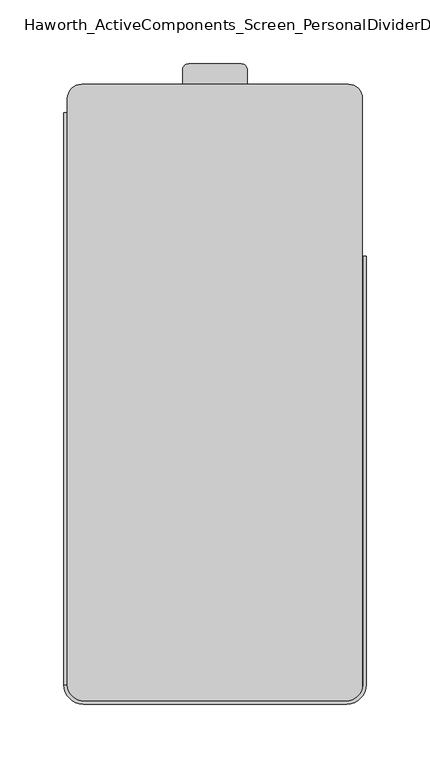
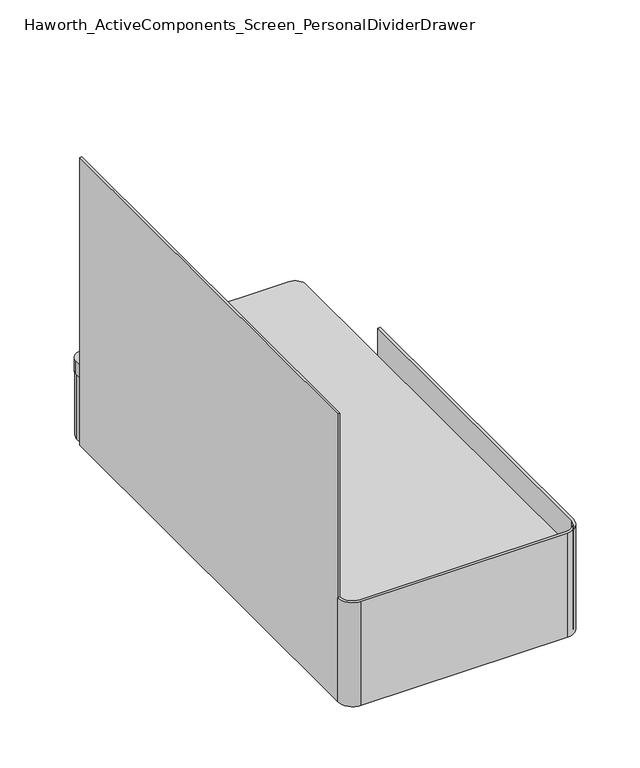
"""IFC4 building model written with IfcOpenShell, lengths in millimetres: furniture geometry, Haworth_ActiveComponents_Screen_PersonalDividerDrawer."""

from ifc_helpers import new_model, si_unit, point, frame, frame_2d, origin, place, context, project, spatial, polyline, circle_curve, trimmed, segment, composite_curve, outline, extrude, source, transform, mapped, element, save


def haworth_activecomponents_screen_personaldividerdrawer_b7ea0087(model_context):
    return source(origin(), model_context, "Body", "SweptSolid", [
        extrude(outline(composite_curve([segment(polyline([(-1013.2735768, 1112.6701933), (-1221.8202851, 1112.6701933)]), True, "CONTINUOUS"), segment(trimmed(circle_curve(frame_2d((-1221.8202851, 1123.7826933)), 11.1125), [point((-1221.8202851, 1112.6701933))], [point((-1232.9327851, 1123.7826933))], False, "CARTESIAN"), True, "CONTINUOUS"), segment(polyline([(-1232.9327851, 1123.7826933), (-1232.9327851, 1584.1576816)]), True, "CONTINUOUS"), segment(trimmed(circle_curve(frame_2d((-1221.8202851, 1584.1576816)), 11.1125), [point((-1232.9327851, 1584.1576816))], [point((-1221.8202851, 1595.2701816))], False, "CARTESIAN"), True, "CONTINUOUS"), segment(polyline([(-1221.8202851, 1595.2701816), (-1013.2735768, 1595.2701816)]), True, "CONTINUOUS"), segment(trimmed(circle_curve(frame_2d((-1013.2735768, 1584.1576816)), 11.1125), [point((-1013.2735768, 1595.2701816))], [point((-1002.1610768, 1584.1576816))], False, "CARTESIAN"), True, "CONTINUOUS"), segment(polyline([(-1002.1610768, 1584.1576816), (-1002.1610768, 1123.7826933)]), True, "CONTINUOUS"), segment(trimmed(circle_curve(frame_2d((-1013.2735768, 1123.7826933)), 11.1125), [point((-1002.1610768, 1123.7826933))], [point((-1013.2735768, 1112.6701933))], False, "CARTESIAN"), True, "CONTINUOUS")], self_intersect=False)), frame((0.0, 0.0, 806.9072153), z_axis=(0.0, 0.0, 1.0), x_axis=(1.0, 0.0, 0.0)), (0.0, 0.0, 1.0), 13.6905888),
        extrude(outline(composite_curve([segment(polyline([(-1092.1405636, 1595.2701816), (-1142.9532824, 1595.2701816), (-1142.9532824, 1606.3699764)]), True, "CONTINUOUS"), segment(trimmed(circle_curve(frame_2d((-1138.1780651, 1606.3699764)), 4.7752172), [point((-1142.9532824, 1606.3699764))], [point((-1138.1780651, 1611.1451937))], False, "CARTESIAN"), True, "CONTINUOUS"), segment(polyline([(-1138.1780651, 1611.1451937), (-1096.9157809, 1611.1451937)]), True, "CONTINUOUS"), segment(trimmed(circle_curve(frame_2d((-1096.9157809, 1606.3699764)), 4.7752172), [point((-1096.9157809, 1611.1451937))], [point((-1092.1405636, 1606.3699764))], False, "CARTESIAN"), True, "CONTINUOUS"), segment(polyline([(-1092.1405636, 1606.3699764), (-1092.1405636, 1595.2701816)]), True, "CONTINUOUS")], self_intersect=False)), frame((0.0, 0.0, 804.7236277), z_axis=(0.0, 0.0, 1.0), x_axis=(1.0, 0.0, 0.0)), (0.0, 0.0, 1.0), 1.5993937),
        extrude(outline(composite_curve([segment(polyline([(-1014.8737781, 1114.2576933), (-1220.2200838, 1114.2576933)]), True, "CONTINUOUS"), segment(trimmed(circle_curve(frame_2d((-1220.2200838, 1125.3701933)), 11.1125), [point((-1220.2200838, 1114.2576933))], [point((-1231.3325838, 1125.3701933))], False, "CARTESIAN"), True, "CONTINUOUS"), segment(polyline([(-1231.3325838, 1125.3701933), (-1231.3325838, 1580.9826816)]), True, "CONTINUOUS"), segment(trimmed(circle_curve(frame_2d((-1220.2200838, 1580.9826816)), 11.1125), [point((-1231.3325838, 1580.9826816))], [point((-1220.2200838, 1592.0951816))], False, "CARTESIAN"), True, "CONTINUOUS"), segment(polyline([(-1220.2200838, 1592.0951816), (-1014.8737781, 1592.0951816)]), True, "CONTINUOUS"), segment(trimmed(circle_curve(frame_2d((-1014.8737781, 1580.9826816)), 11.1125), [point((-1014.8737781, 1592.0951816))], [point((-1003.7612781, 1580.9826816))], False, "CARTESIAN"), True, "CONTINUOUS"), segment(polyline([(-1003.7612781, 1580.9826816), (-1003.7612781, 1125.3701933)]), True, "CONTINUOUS"), segment(trimmed(circle_curve(frame_2d((-1014.8737781, 1125.3701933)), 11.1125), [point((-1003.7612781, 1125.3701933))], [point((-1014.8737781, 1114.2576933))], False, "CARTESIAN"), True, "CONTINUOUS")], self_intersect=False)), frame((0.0, 0.0, 738.8097731), z_axis=(0.0, 0.0, 1.0), x_axis=(1.0, 0.0, 0.0)), (0.0, 0.0, 1.0), 4.0131998),
        extrude(outline(composite_curve([segment(trimmed(circle_curve(frame_2d((-1014.8610647, 1582.5701937)), 12.6999879), [point((-1014.8610647, 1595.2701816))], [point((-1002.1610768, 1582.5701937))], False, "CARTESIAN"), True, "CONTINUOUS"), segment(polyline([(-1002.1610768, 1582.5701937), (-1002.1610768, 1576.2201816), (-1003.7485768, 1576.2201816), (-1003.7485768, 1582.5701937)]), True, "CONTINUOUS"), segment(trimmed(circle_curve(frame_2d((-1014.8610647, 1582.5701937)), 11.1124879), [point((-1003.7485768, 1582.5701937))], [point((-1014.8610647, 1593.6826816))], True, "CARTESIAN"), True, "CONTINUOUS"), segment(polyline([(-1014.8610647, 1593.6826816), (-1220.2327973, 1593.6826816)]), True, "CONTINUOUS"), segment(trimmed(circle_curve(frame_2d((-1220.2327973, 1582.5701937)), 11.1124879), [point((-1220.2327973, 1593.6826816))], [point((-1231.3452851, 1582.5701937))], True, "CARTESIAN"), True, "CONTINUOUS"), segment(polyline([(-1231.3452851, 1582.5701937), (-1231.3452851, 1576.2201816), (-1232.9327851, 1576.2201816), (-1232.9327851, 1582.5701937)]), True, "CONTINUOUS"), segment(trimmed(circle_curve(frame_2d((-1220.2327973, 1582.5701937)), 12.6999879), [point((-1232.9327851, 1582.5701937))], [point((-1220.2327973, 1595.2701816))], False, "CARTESIAN"), True, "CONTINUOUS"), segment(polyline([(-1220.2327973, 1595.2701816), (-1014.8610647, 1595.2701816)]), True, "CONTINUOUS")], self_intersect=False)), frame((0.0, 0.0, 738.8097731), z_axis=(0.0, 0.0, 1.0), x_axis=(1.0, 0.0, 0.0)), (0.0, 0.0, 1.0), 68.0974422),
        extrude(outline(composite_curve([segment(polyline([(-1232.9327851, 1125.3701933), (-1232.9327851, 1576.2201816), (-1231.3325838, 1576.2201816), (-1231.3325838, 1125.3701933)]), True, "CONTINUOUS"), segment(trimmed(circle_curve(frame_2d((-1220.2200838, 1125.3701933)), 11.1125), [point((-1231.3325838, 1125.3701933))], [point((-1220.2200838, 1114.2576933))], True, "CARTESIAN"), True, "CONTINUOUS"), segment(polyline([(-1220.2200838, 1114.2576933), (-1014.8737781, 1114.2576933)]), True, "CONTINUOUS"), segment(trimmed(circle_curve(frame_2d((-1014.8737781, 1125.3701933)), 11.1125), [point((-1014.8737781, 1114.2576933))], [point((-1003.7612781, 1125.3701933))], True, "CARTESIAN"), True, "CONTINUOUS"), segment(polyline([(-1003.7612781, 1125.3701933), (-1003.7612781, 1576.2201816), (-1002.1737781, 1576.2201816), (-1002.1737781, 1125.3701933)]), True, "CONTINUOUS"), segment(trimmed(circle_curve(frame_2d((-1014.8737781, 1125.3701933)), 12.7), [point((-1002.1737781, 1125.3701933))], [point((-1014.8737781, 1112.6701933))], False, "CARTESIAN"), True, "CONTINUOUS"), segment(polyline([(-1014.8737781, 1112.6701933), (-1220.2327851, 1112.6701933)]), True, "CONTINUOUS"), segment(trimmed(circle_curve(frame_2d((-1220.2327851, 1125.3701933)), 12.7), [point((-1220.2327851, 1112.6701933))], [point((-1232.9327851, 1125.3701933))], False, "CARTESIAN"), True, "CONTINUOUS")], self_intersect=False)), frame((0.0, 0.0, 738.8097731), z_axis=(0.0, 0.0, 1.0), x_axis=(1.0, 0.0, 0.0)), (0.0, 0.0, 1.0), 68.0974422),
        extrude(outline(composite_curve([segment(polyline([(-1014.3657847, 1110.3841932), (-1220.7407786, 1110.3841932)]), True, "CONTINUOUS"), segment(trimmed(circle_curve(frame_2d((-1220.7407786, 1125.3701937)), 14.9860005), [point((-1220.7407786, 1110.3841932))], [point((-1235.7267791, 1125.3701937))], False, "CARTESIAN"), True, "CONTINUOUS"), segment(polyline([(-1235.7267791, 1125.3701937), (-1233.4407847, 1125.3701937)]), True, "CONTINUOUS"), segment(trimmed(circle_curve(frame_2d((-1220.2327791, 1125.8883591)), 13.2181658), [point((-1233.4407847, 1125.3701937))], [point((-1220.2327791, 1112.6701933))], True, "CARTESIAN"), True, "CONTINUOUS"), segment(polyline([(-1220.2327791, 1112.6701933), (-1014.8737842, 1112.6701933)]), True, "CONTINUOUS"), segment(trimmed(circle_curve(frame_2d((-1014.8737842, 1125.8883591)), 13.2181658), [point((-1014.8737842, 1112.6701933))], [point((-1001.6657786, 1125.3701937))], True, "CARTESIAN"), True, "CONTINUOUS"), segment(polyline([(-1001.6657786, 1125.3701937), (-1001.6657786, 1460.9041825), (-999.3797808, 1460.9041825), (-999.3797808, 1125.3701971)]), True, "CONTINUOUS"), segment(trimmed(circle_curve(frame_2d((-1014.3657847, 1125.3701971)), 14.9860039), [point((-999.3797808, 1125.3701971))], [point((-1014.3657847, 1110.3841932))], False, "CARTESIAN"), True, "CONTINUOUS")], self_intersect=False)), frame((0.0, 0.0, 738.8097731), z_axis=(0.0, 0.0, 1.0), x_axis=(1.0, 0.0, 0.0)), (0.0, 0.0, 1.0), 110.3122347),
        extrude(outline(polyline([(-1233.4407847, 1125.3701937), (-1235.7267825, 1125.3701937), (-1235.7267825, 1572.9182029), (-1233.4407847, 1572.9182029), (-1233.4407847, 1125.3701937)])), frame((0.0, 0.0, 738.8097731), z_axis=(0.0, 0.0, 1.0), x_axis=(1.0, 0.0, 0.0)), (0.0, 0.0, 1.0), 304.8),
    ])


if __name__ == "__main__":
    model = new_model("IFC4")
    model_context = context("Model", 3, world=origin())
    ifc_project = project(units=[si_unit("LENGTHUNIT", "METRE", prefix="MILLI")], contexts=[model_context])
    site = spatial("IfcSite", under=ifc_project)
    building = spatial("IfcBuilding", under=site)
    placement = place(None, origin())
    haworth_activecomponents_screen_personaldividerdrawer_shape = haworth_activecomponents_screen_personaldividerdrawer_b7ea0087(model_context)
    element("IfcFurniture", 1, ObjectType="Haworth_ActiveComponents_Screen_PersonalDividerDrawer", at=placement, inside=building, context=model_context, shape_type="MappedRepresentation", body=[
        mapped(haworth_activecomponents_screen_personaldividerdrawer_shape, transform((0.0, 0.0, 0.0), x_axis=(1.0, 0.0, 0.0), y_axis=(0.0, 1.0, 0.0), z_axis=(0.0, 0.0, 1.0))),
    ])
    save(model, "model.ifc")
